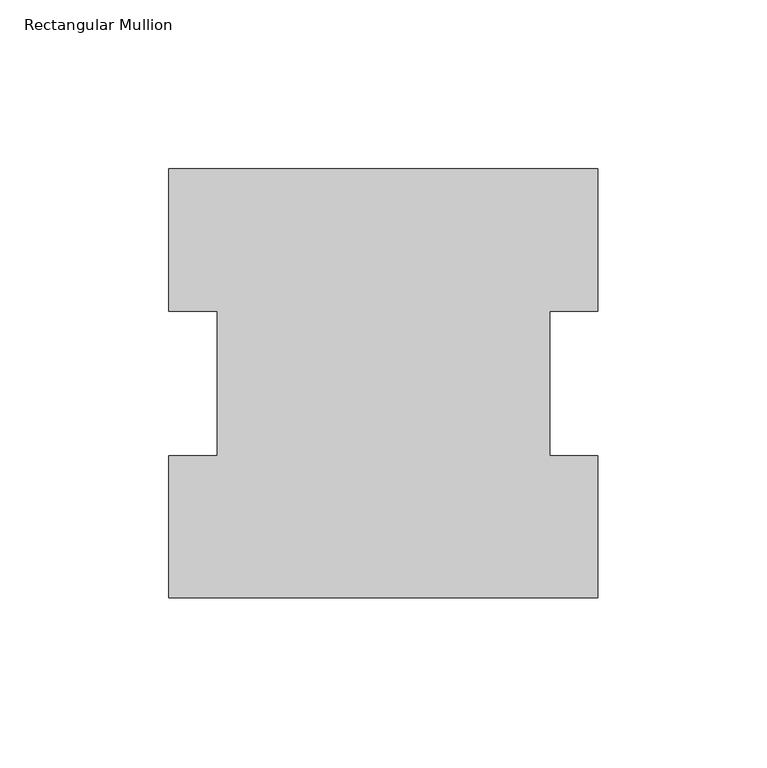
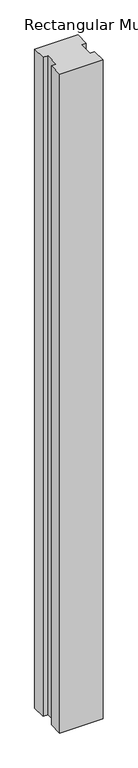
"""IFC4 building model written with IfcOpenShell, lengths in millimetres: member geometry, Rectangular Mullion."""

from ifc_helpers import new_model, si_unit, frame, origin, place, context, project, spatial, polyline, outline, extrude, source, transform, mapped, element, save


def rectangular_mullion_34979e45(model_context):
    return source(origin(), model_context, "Body", "SweptSolid", [
        extrude(outline(polyline([(-63.5, 127.00635), (63.5, 127.00635), (63.5, 84.93125), (49.2125, 84.93125), (49.2125, 42.08145), (63.5, 42.08145), (63.5, 0.00635), (-63.5, 0.00635), (-63.5, 42.08145), (-49.2125, 42.08145), (-49.2125, 84.93125), (-63.5, 84.93125), (-63.5, 127.00635)])), frame((0.0, 0.0, -2044.7177772), z_axis=(0.0, 0.0, 1.0), x_axis=(1.0, 0.0, 0.0)), (0.0, 0.0, 1.0), 2044.7177772),
    ])


if __name__ == "__main__":
    model = new_model("IFC4")
    model_context = context("Model", 3, world=origin())
    ifc_project = project(units=[si_unit("LENGTHUNIT", "METRE", prefix="MILLI")], contexts=[model_context])
    site = spatial("IfcSite", under=ifc_project)
    building = spatial("IfcBuilding", under=site)
    placement = place(None, origin())
    rectangular_mullion_shape = rectangular_mullion_34979e45(model_context)
    element("IfcMember", 1, ObjectType="Rectangular Mullion", at=placement, inside=building, context=model_context, shape_type="MappedRepresentation", body=[
        mapped(rectangular_mullion_shape, transform((0.0, 0.0, 0.0), x_axis=(1.0, 0.0, 0.0), y_axis=(0.0, 1.0, 0.0), z_axis=(0.0, 0.0, 1.0))),
    ])
    save(model, "model.ifc")
